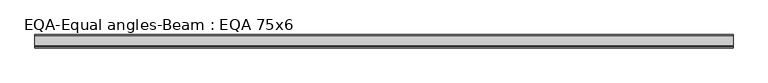
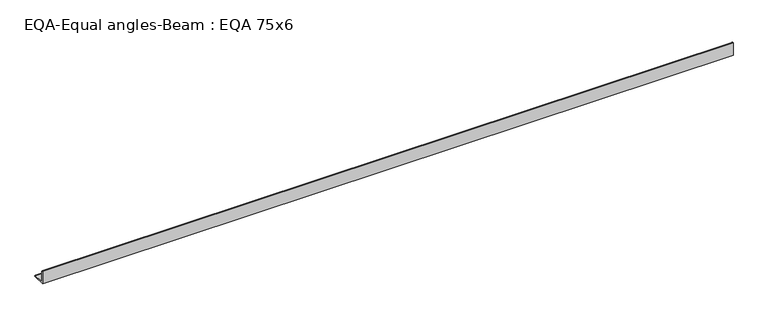
"""IFC4 building model written with IfcOpenShell, lengths in millimetres: beam geometry, EQA-Equal angles-Beam : EQA 75x6."""

from ifc_helpers import new_model, si_unit, point, frame, frame_2d, origin, place, context, project, spatial, polyline, circle_curve, trimmed, segment, composite_curve, outline, extrude, source, transform, mapped, element, save


def eqa_equal_angles_beam_eqa_75x6_d6388b9d(model_context):
    return source(origin(), model_context, "Body", "SweptSolid", [
        extrude(outline(composite_curve([segment(polyline([(-20.5, -20.5), (-20.5, 54.5), (-19.0, 54.5)]), True, "CONTINUOUS"), segment(trimmed(circle_curve(frame_2d((-19.0, 50.0)), 4.5), [point((-19.0, 54.5))], [point((-14.5, 50.0))], False, "CARTESIAN"), True, "CONTINUOUS"), segment(polyline([(-14.5, 50.0), (-14.5, -5.5)]), True, "CONTINUOUS"), segment(trimmed(circle_curve(frame_2d((-5.5, -5.5)), 9.0), [point((-14.5, -5.5))], [point((-5.5, -14.5))], True, "CARTESIAN"), True, "CONTINUOUS"), segment(polyline([(-5.5, -14.5), (50.0, -14.5)]), True, "CONTINUOUS"), segment(trimmed(circle_curve(frame_2d((50.0, -19.0)), 4.5), [point((50.0, -14.5))], [point((54.5, -19.0))], False, "CARTESIAN"), True, "CONTINUOUS"), segment(polyline([(54.5, -19.0), (54.5, -20.5), (-20.5, -20.5)]), True, "CONTINUOUS")], self_intersect=False)), frame((-2039.6230775, 0.0, 0.0), z_axis=(1.0, 0.0, 0.0), x_axis=(0.0, 1.0, 0.0)), (0.0, 0.0, 1.0), 3909.7823855),
    ])


if __name__ == "__main__":
    model = new_model("IFC4")
    model_context = context("Model", 3, world=origin())
    ifc_project = project(units=[si_unit("LENGTHUNIT", "METRE", prefix="MILLI")], contexts=[model_context])
    site = spatial("IfcSite", under=ifc_project)
    building = spatial("IfcBuilding", under=site)
    placement = place(None, origin())
    eqa_equal_angles_beam_eqa_75x6_shape = eqa_equal_angles_beam_eqa_75x6_d6388b9d(model_context)
    element("IfcBeam", 1, ObjectType="EQA-Equal angles-Beam : EQA 75x6", at=placement, inside=building, context=model_context, shape_type="MappedRepresentation", body=[
        mapped(eqa_equal_angles_beam_eqa_75x6_shape, transform((0.0, 0.0, 0.0), x_axis=(1.0, 0.0, 0.0), y_axis=(0.0, 1.0, 0.0), z_axis=(0.0, 0.0, 1.0))),
    ])
    save(model, "model.ifc")
